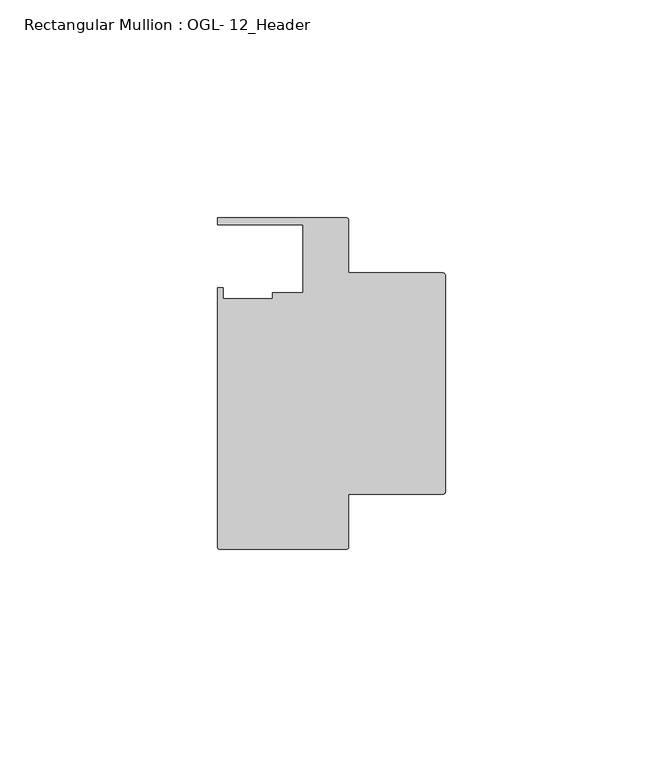
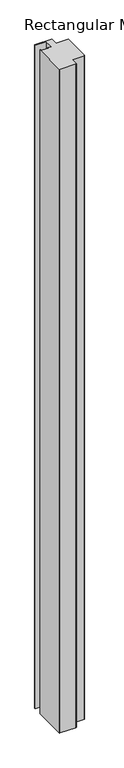
"""IFC4 building model written with IfcOpenShell, lengths in millimetres: member geometry, Rectangular Mullion : OGL- 12_Header."""

from ifc_helpers import new_model, si_unit, point, frame, frame_2d, origin, place, context, project, spatial, polyline, circle_curve, trimmed, segment, composite_curve, outline, extrude, source, transform, mapped, element, save


def rectangular_mullion_ogl_12_header_c9072b11(model_context):
    return source(origin(), model_context, "Body", "SweptSolid", [
        extrude(outline(composite_curve([segment(polyline([(-0.5953125, -25.4), (-22.2332898, -25.4), (-22.2332898, -37.5043667)]), True, "CONTINUOUS"), segment(trimmed(circle_curve(frame_2d((-22.8286023, -37.5043667)), 0.5953125), [point((-22.2332898, -37.5043667))], [point((-22.8286023, -38.0996792))], False, "CARTESIAN"), True, "CONTINUOUS"), segment(polyline([(-22.8286023, -38.0996792), (-51.7968699, -38.0996792)]), True, "CONTINUOUS"), segment(trimmed(circle_curve(frame_2d((-51.7968699, -37.5043667)), 0.5953125), [point((-51.7968699, -38.0996792))], [point((-52.3921824, -37.5043667))], False, "CARTESIAN"), True, "CONTINUOUS"), segment(polyline([(-52.3921824, -37.5043667), (-52.3921824, 21.9710976), (-51.1362531, 21.9710976), (-51.1362531, 19.4824275), (-39.7567771, 19.4824275), (-39.7567771, 20.8257348), (-32.730302, 20.8257348), (-32.730302, 36.512516), (-52.3830881, 36.512516), (-52.3830881, 38.100016), (-22.8763468, 38.100016)]), True, "CONTINUOUS"), segment(trimmed(circle_curve(frame_2d((-22.8763468, 37.456959)), 0.643057), [point((-22.8763468, 38.100016))], [point((-22.2332898, 37.456959))], False, "CARTESIAN"), True, "CONTINUOUS"), segment(polyline([(-22.2332898, 37.456959), (-22.2332898, 25.4), (-0.5953125, 25.4)]), True, "CONTINUOUS"), segment(trimmed(circle_curve(frame_2d((-0.5953125, 24.8046875)), 0.5953125), [point((-0.5953125, 25.4))], [point((0.0, 24.8046875))], False, "CARTESIAN"), True, "CONTINUOUS"), segment(polyline([(0.0, 24.8046875), (0.0, -24.8046875)]), True, "CONTINUOUS"), segment(trimmed(circle_curve(frame_2d((-0.5953125, -24.8046875)), 0.5953125), [point((0.0, -24.8046875))], [point((-0.5953125, -25.4))], False, "CARTESIAN"), True, "CONTINUOUS")], self_intersect=False)), frame((0.0, 0.0, -1246.277635), z_axis=(0.0, 0.0, 1.0), x_axis=(1.0, 0.0, 0.0)), (0.0, 0.0, 1.0), 1246.277635),
    ])


if __name__ == "__main__":
    model = new_model("IFC4")
    model_context = context("Model", 3, world=origin())
    ifc_project = project(units=[si_unit("LENGTHUNIT", "METRE", prefix="MILLI")], contexts=[model_context])
    site = spatial("IfcSite", under=ifc_project)
    building = spatial("IfcBuilding", under=site)
    placement = place(None, origin())
    rectangular_mullion_ogl_12_header_shape = rectangular_mullion_ogl_12_header_c9072b11(model_context)
    element("IfcMember", 1, ObjectType="Rectangular Mullion : OGL- 12_Header", at=placement, inside=building, context=model_context, shape_type="MappedRepresentation", body=[
        mapped(rectangular_mullion_ogl_12_header_shape, transform((0.0, 0.0, 0.0), x_axis=(1.0, 0.0, 0.0), y_axis=(0.0, 1.0, 0.0), z_axis=(0.0, 0.0, 1.0))),
    ])
    save(model, "model.ifc")
